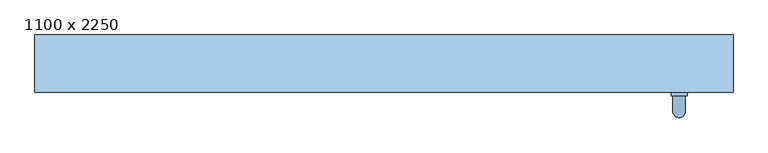
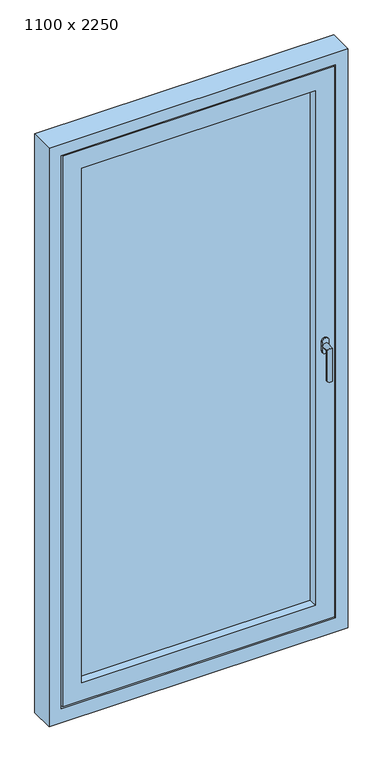
"""IFC4 building model written with IfcOpenShell, lengths in millimetres: window geometry, 1100 x 2250."""

from ifc_helpers import new_model, si_unit, frame, origin, place, context, project, spatial, polyline, circle_curve, ellipse_curve, outline, extrude, faceted_brep, source, transform, mapped, element, save
from ifc_brep_helpers import plane_surface, cylinder_surface, advanced_brep


def window_1100_x_2250_44b4540f(model_context):
    return source(origin(), model_context, "Body", "SolidModel", [
        advanced_brep(
        [(452.5, 35.0, 1147.5), (477.5, 35.0, 1147.5), (477.5, 35.0, 1130.0), (477.5, 35.0, 1112.5), (452.5, 35.0, 1112.5), (452.5, 35.0, 1130.0), (475.0, 5.0, 1130.0), (475.0, 29.0, 1130.0), (455.0, 29.0, 1130.0), (455.0, 5.0, 1130.0), (475.0, 5.0, 1010.0), (455.0, 5.0, 1010.0), (452.5, 29.0, 1147.5), (452.5, 29.0, 1130.0), (452.5, 29.0, 1112.5), (477.5, 29.0, 1112.5), (477.5, 29.0, 1130.0), (477.5, 29.0, 1147.5)],
        [
            (0, 1, circle_curve(frame((465.0, 35.0, 1147.5), z_axis=(0.0, 1.0, 0.0), x_axis=(-1.0, 0.0, 0.0)), 12.5)),
            (1, 2),
            (2, 3),
            (3, 4, circle_curve(frame((465.0, 35.0, 1112.5), z_axis=(0.0, 1.0, 0.0), x_axis=(-1.0, 0.0, 0.0)), 12.5)),
            (4, 5),
            (5, 0),
            (6, 7),
            (7, 8, circle_curve(frame((465.0, 29.0, 1130.0), z_axis=(0.0, -1.0, 0.0), x_axis=(-1.0, 0.0, 0.0)), 10.0)),
            (8, 9),
            (9, 6, ellipse_curve(frame((465.0, 5.0, 1130.0), z_axis=(0.0, 0.7071067811865498, 0.7071067811865451), x_axis=(0.0, 0.7071067811865452, -0.7071067811865497)), 14.1421356, 10.0)),
            (8, 7, circle_curve(frame((465.0, 29.0, 1130.0), z_axis=(0.0, -1.0, 0.0), x_axis=(-1.0, 0.0, 0.0)), 10.0)),
            (6, 9, ellipse_curve(frame((465.0, 5.0, 1130.0), z_axis=(0.0, 0.7071067811865498, 0.7071067811865451), x_axis=(0.0, 0.7071067811865452, -0.7071067811865497)), 14.1421356, 10.0)),
            (10, 11, circle_curve(frame((465.0, 5.0, 1010.0), z_axis=(0.0, 0.0, -1.0), x_axis=(-1.0, 0.0, 0.0)), 10.0)),
            (11, 10, circle_curve(frame((465.0, 5.0, 1010.0), z_axis=(0.0, 0.0, -1.0), x_axis=(-1.0, 0.0, 0.0)), 10.0)),
            (9, 11),
            (10, 6),
            (12, 13),
            (13, 14),
            (14, 15, circle_curve(frame((465.0, 29.0, 1112.5), z_axis=(0.0, -1.0, 0.0), x_axis=(-1.0, 0.0, 0.0)), 12.5)),
            (15, 16),
            (16, 17),
            (17, 12, circle_curve(frame((465.0, 29.0, 1147.5), z_axis=(0.0, -1.0, 0.0), x_axis=(-1.0, 0.0, 0.0)), 12.5)),
            (17, 1),
            (0, 12),
            (16, 2),
            (15, 3),
            (14, 4),
            (13, 5),
        ],
        [
            plane_surface(frame((465.0, 35.0, 1130.0), z_axis=(0.0, 1.0, 0.0), x_axis=(-1.0, 0.0, 0.0))),
            cylinder_surface(frame((465.0, 35.0, 1130.0), z_axis=(0.0, 1.0, 0.0), x_axis=(-1.0, 0.0, 0.0)), 10.0),
            plane_surface(frame((465.0, 5.0, 1010.0), z_axis=(0.0, 0.0, -1.0), x_axis=(-1.0, 0.0, 0.0))),
            cylinder_surface(frame((465.0, 5.0, 1130.0), z_axis=(0.0, 0.0, 1.0), x_axis=(-1.0, 0.0, 0.0)), 10.0),
            plane_surface(frame((452.5, 29.0, 1147.5), z_axis=(0.0, -1.0, 0.0), x_axis=(0.0, 0.0, 1.0))),
            cylinder_surface(frame((465.0, 35.0, 1147.5), z_axis=(0.0, -1.0, 0.0), x_axis=(-1.0, 0.0, 0.0)), 12.5),
            plane_surface(frame((477.5, 29.0, 1147.5), z_axis=(1.0, 0.0, 0.0), x_axis=(0.0, 1.0, 0.0))),
            plane_surface(frame((477.5, 29.0, 1130.0), z_axis=(1.0, 0.0, 0.0), x_axis=(0.0, 1.0, 0.0))),
            cylinder_surface(frame((465.0, 35.0, 1112.5), z_axis=(0.0, -1.0, 0.0), x_axis=(-1.0, 0.0, 0.0)), 12.5),
            plane_surface(frame((452.5, 29.0, 1112.5), z_axis=(-1.0, 0.0, 0.0), x_axis=(0.0, 1.0, 0.0))),
            plane_surface(frame((452.5, 29.0, 1130.0), z_axis=(-1.0, 0.0, 0.0), x_axis=(0.0, 1.0, 0.0))),
        ],
        [
            (0, [[1, 2, 3, 4, 5, 6]]),
            (1, [[7, 8, 9, 10]]),
            (1, [[-9, 11, -7, 12]]),
            (2, [[13, 14]]),
            (3, [[15, -13, 16, -10]]),
            (3, [[-16, -14, -15, -12]]),
            (4, [[17, 18, 19, 20, 21, 22], [-11, -8]]),
            (5, [[23, -1, 24, -22]]),
            (6, [[25, -2, -23, -21]]),
            (7, [[26, -3, -25, -20]]),
            (8, [[27, -4, -26, -19]]),
            (9, [[28, -5, -27, -18]]),
            (10, [[-24, -6, -28, -17]]),
        ],
    ),
        faceted_brep([(-430.0, 35.0, 2130.0), (-430.0, 35.0, 130.0), (-430.0, 125.0, 130.0), (-430.0, 125.0, 2130.0), (-460.0, 125.0, 100.0), (-460.0, 125.0, 2160.0), (460.0, 125.0, 2160.0), (460.0, 125.0, 100.0), (430.0, 125.0, 130.0), (430.0, 125.0, 2130.0), (430.0, 35.0, 130.0), (-500.0, 35.0, 2200.0), (-500.0, 35.0, 60.0), (500.0, 35.0, 60.0), (500.0, 35.0, 2200.0), (430.0, 35.0, 2130.0), (-500.0, 50.0, 2200.0), (-500.0, 50.0, 60.0), (500.0, 50.0, 60.0), (500.0, 50.0, 2200.0), (-485.0, 50.0, 2185.0), (-485.0, 50.0, 75.0), (485.0, 50.0, 75.0), (485.0, 50.0, 2185.0), (-485.0, 80.0, 2185.0), (-485.0, 80.0, 75.0), (485.0, 80.0, 75.0), (485.0, 80.0, 2185.0), (-475.0, 80.0, 2175.0), (-475.0, 80.0, 85.0), (475.0, 80.0, 85.0), (475.0, 80.0, 2175.0), (-475.0, 110.0, 2175.0), (-475.0, 110.0, 85.0), (475.0, 110.0, 85.0), (475.0, 110.0, 2175.0), (-460.0, 110.0, 2160.0), (-460.0, 110.0, 100.0), (460.0, 110.0, 100.0), (460.0, 110.0, 2160.0)], [[[0, 1, 2, 3]], [[4, 5, 6, 7], [3, 2, 8, 9]], [[1, 10, 8, 2]], [[11, 12, 13, 14], [1, 0, 15, 10]], [[16, 17, 12, 11]], [[17, 18, 13, 12]], [[17, 16, 19, 18], [20, 21, 22, 23]], [[24, 25, 21, 20]], [[25, 26, 22, 21]], [[25, 24, 27, 26], [28, 29, 30, 31]], [[32, 33, 29, 28]], [[33, 34, 30, 29]], [[33, 32, 35, 34], [36, 37, 38, 39]], [[5, 4, 37, 36]], [[4, 7, 38, 37]], [[10, 15, 9, 8]], [[18, 19, 14, 13]], [[26, 27, 23, 22]], [[34, 35, 31, 30]], [[7, 6, 39, 38]], [[15, 0, 3, 9]], [[19, 16, 11, 14]], [[27, 24, 20, 23]], [[35, 32, 28, 31]], [[6, 5, 36, 39]]]),
        extrude(outline(polyline([(-430.0, 110.0), (430.0, 110.0), (430.0, 66.0), (-430.0, 66.0), (-430.0, 110.0)])), frame((0.0, 0.0, 130.0), z_axis=(0.0, 0.0, 1.0), x_axis=(1.0, 0.0, 0.0)), (0.0, 0.0, 1.0), 2000.0),
        faceted_brep([(550.0, 125.0, 0.0), (550.0, 35.0, 0.0), (-550.0, 35.0, 0.0), (-550.0, 125.0, 0.0), (550.0, 125.0, 2250.0), (550.0, 35.0, 2250.0), (-550.0, 35.0, 2250.0), (505.0, 35.0, 2205.0), (505.0, 35.0, 55.0), (-505.0, 35.0, 55.0), (-505.0, 35.0, 2205.0), (-550.0, 125.0, 2250.0), (465.0, 125.0, 95.0), (465.0, 125.0, 2165.0), (-465.0, 125.0, 2165.0), (-465.0, 125.0, 95.0), (465.0, 110.0, 95.0), (465.0, 110.0, 2165.0), (-465.0, 110.0, 95.0), (-465.0, 110.0, 2165.0), (505.0, 50.0, 2205.0), (505.0, 50.0, 55.0), (-505.0, 50.0, 55.0), (-505.0, 50.0, 2205.0), (490.0, 50.0, 2190.0), (490.0, 50.0, 70.0), (-490.0, 50.0, 70.0), (-490.0, 50.0, 2190.0), (490.0, 80.0, 70.0), (490.0, 80.0, 2190.0), (-490.0, 80.0, 2190.0), (-490.0, 80.0, 70.0), (480.0, 80.0, 2180.0), (480.0, 80.0, 80.0), (-480.0, 80.0, 80.0), (-480.0, 80.0, 2180.0), (480.0, 110.0, 80.0), (480.0, 110.0, 2180.0), (-480.0, 110.0, 2180.0), (-480.0, 110.0, 80.0)], [[[0, 1, 2, 3]], [[4, 5, 1, 0]], [[5, 6, 2, 1], [7, 8, 9, 10]], [[6, 11, 3, 2]], [[11, 4, 0, 3], [12, 13, 14, 15]], [[12, 16, 17, 13]], [[18, 15, 14, 19]], [[16, 12, 15, 18]], [[20, 21, 8, 7]], [[8, 21, 22, 9]], [[9, 22, 23, 10]], [[21, 20, 23, 22], [24, 25, 26, 27]], [[28, 29, 30, 31], [32, 33, 34, 35]], [[29, 28, 25, 24]], [[25, 28, 31, 26]], [[36, 37, 38, 39], [17, 16, 18, 19]], [[37, 36, 33, 32]], [[33, 36, 39, 34]], [[26, 31, 30, 27]], [[34, 39, 38, 35]], [[4, 11, 6, 5]], [[20, 7, 10, 23]], [[29, 24, 27, 30]], [[37, 32, 35, 38]], [[13, 17, 19, 14]]]),
    ])


if __name__ == "__main__":
    model = new_model("IFC4")
    model_context = context("Model", 3, world=origin())
    ifc_project = project(units=[si_unit("LENGTHUNIT", "METRE", prefix="MILLI")], contexts=[model_context])
    site = spatial("IfcSite", under=ifc_project)
    building = spatial("IfcBuilding", under=site)
    placement = place(None, origin())
    window_1100_x_2250_shape = window_1100_x_2250_44b4540f(model_context)
    element("IfcWindow", 1, ObjectType="1100 x 2250", at=placement, inside=building, context=model_context, shape_type="MappedRepresentation", body=[
        mapped(window_1100_x_2250_shape, transform((0.0, 0.0, 0.0), x_axis=(1.0, 0.0, 0.0), y_axis=(0.0, 1.0, 0.0), z_axis=(0.0, 0.0, 1.0))),
    ])
    save(model, "model.ifc")
